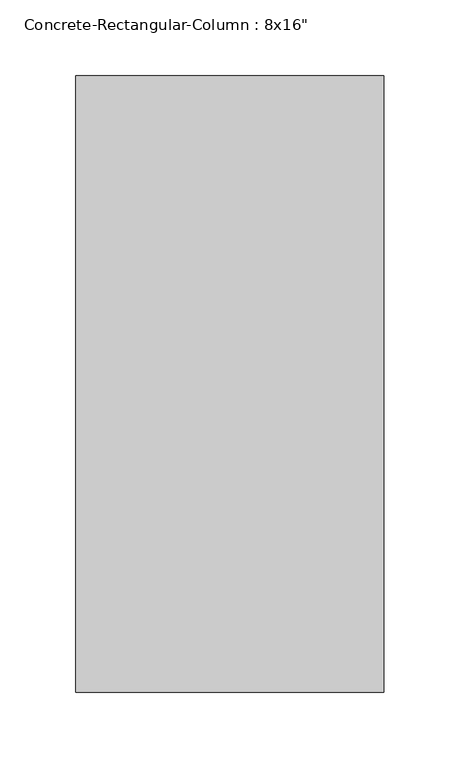
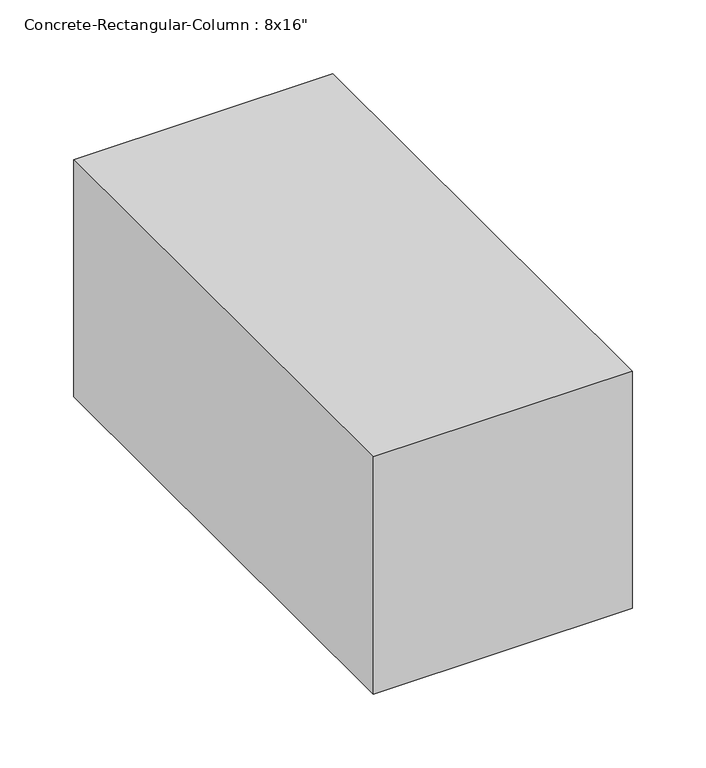
"""IFC4 building model written with IfcOpenShell, lengths in millimetres: column geometry."""

from ifc_helpers import new_model, si_unit, frame, origin, place, context, project, spatial, polyline, outline, extrude, source, transform, mapped, element, save


def column_e41db51c(model_context):
    return source(origin(), model_context, "Body", "SweptSolid", [
        extrude(outline(polyline([(101.6, 203.2), (101.6, -203.2), (-101.6, -203.2), (-101.6, 203.2), (101.6, 203.2)])), frame((0.0, 0.0, -761.3904), z_axis=(0.0, 0.0, 1.0), x_axis=(1.0, 0.0, 0.0)), (0.0, 0.0, 1.0), 196.7484),
    ])


if __name__ == "__main__":
    model = new_model("IFC4")
    model_context = context("Model", 3, world=origin())
    ifc_project = project(units=[si_unit("LENGTHUNIT", "METRE", prefix="MILLI")], contexts=[model_context])
    site = spatial("IfcSite", under=ifc_project)
    building = spatial("IfcBuilding", under=site)
    placement = place(None, origin())
    column_shape = column_e41db51c(model_context)
    element("IfcColumn", 1, ObjectType="Concrete-Rectangular-Column : 8x16\"", at=placement, inside=building, context=model_context, shape_type="MappedRepresentation", body=[
        mapped(column_shape, transform((0.0, 0.0, 0.0), x_axis=(1.0, 0.0, 0.0), y_axis=(0.0, 1.0, 0.0), z_axis=(0.0, 0.0, 1.0))),
    ])
    save(model, "model.ifc")
